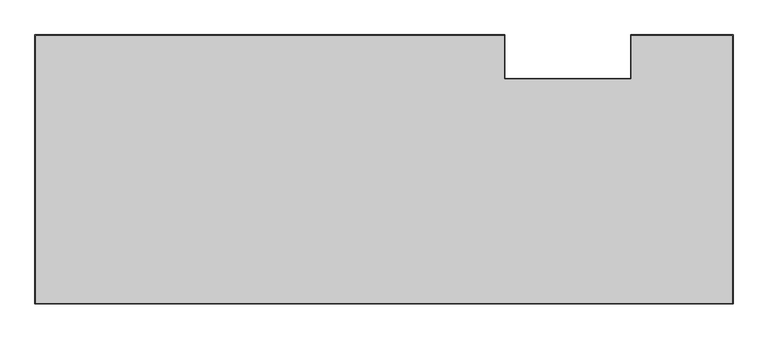
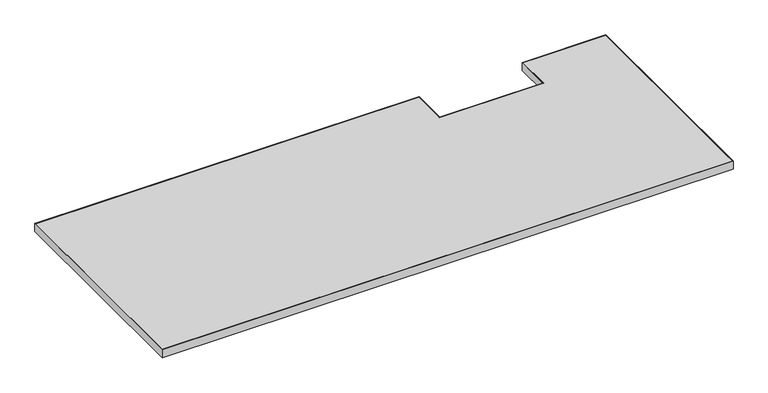
"""IFC4 building model written with IfcOpenShell, lengths in millimetres: furniture geometry."""

from ifc_helpers import new_model, si_unit, frame, origin, place, context, project, spatial, polyline, outline, extrude, source, transform, mapped, element, save


def furniture_52014776(model_context):
    return source(origin(), model_context, "Body", "SweptSolid", [
        extrude(outline(polyline([(1825.7520029, -54.1019984), (1825.7520029, -758.8250121), (0.0, -758.8250121), (0.0, -54.1019984), (1228.4583081, -54.1019984), (1228.4583081, -168.1480031), (1558.1503207, -168.1480031), (1558.1503207, -54.1019984), (1825.7520029, -54.1019984)]), holes=[polyline([(1.6002, -55.7021984), (1.6002, -757.2248121), (1824.1518029, -757.2248121), (1824.1518029, -55.7021984), (1559.7505207, -55.7021984), (1559.7505207, -169.7482031), (1226.8581081, -169.7482031), (1226.8581081, -55.7021984), (1.6002, -55.7021984)])]), frame((0.0, 0.0, 697.23), z_axis=(0.0, 0.0, 1.0), x_axis=(1.0, 0.0, 0.0)), (0.0, 0.0, 1.0), 26.67),
        extrude(outline(polyline([(1.6002, -757.2248121), (1.6002, -55.7021984), (1226.8581081, -55.7021984), (1226.8581081, -169.7482031), (1559.7505207, -169.7482031), (1559.7505207, -55.7021984), (1824.1518029, -55.7021984), (1824.1518029, -757.2248121), (1.6002, -757.2248121)])), frame((0.0, 0.0, 697.23), z_axis=(0.0, 0.0, 1.0), x_axis=(1.0, 0.0, 0.0)), (0.0, 0.0, 1.0), 26.67),
    ])


if __name__ == "__main__":
    model = new_model("IFC4")
    model_context = context("Model", 3, world=origin())
    ifc_project = project(units=[si_unit("LENGTHUNIT", "METRE", prefix="MILLI")], contexts=[model_context])
    site = spatial("IfcSite", under=ifc_project)
    building = spatial("IfcBuilding", under=site)
    placement = place(None, origin())
    furniture_shape = furniture_52014776(model_context)
    element("IfcFurniture", 1, at=placement, inside=building, context=model_context, shape_type="MappedRepresentation", body=[
        mapped(furniture_shape, transform((0.0, 0.0, 0.0), x_axis=(1.0, 0.0, 0.0), y_axis=(0.0, 1.0, 0.0), z_axis=(0.0, 0.0, 1.0))),
    ])
    save(model, "model.ifc")
